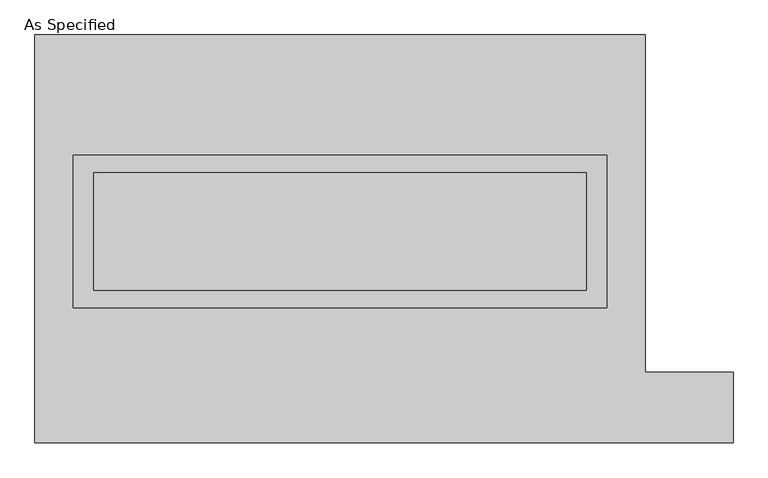
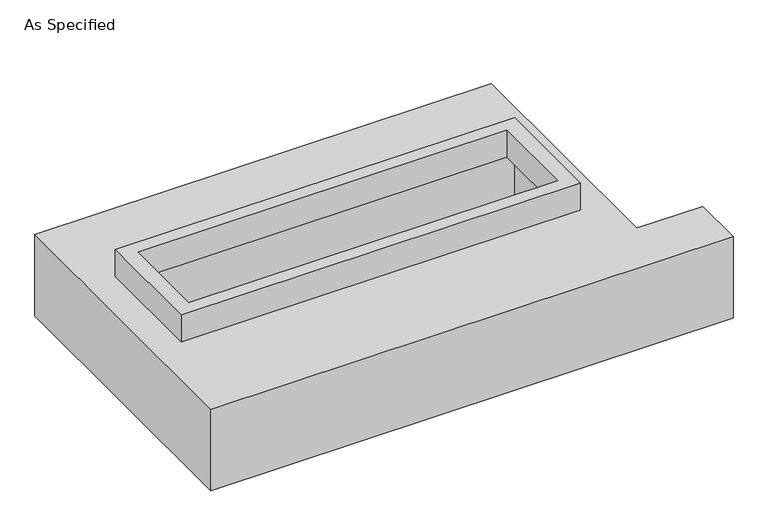
"""IFC4 building model written with IfcOpenShell, lengths in millimetres: proxy geometry, As Specified."""

from ifc_helpers import new_model, si_unit, frame, origin, place, context, project, spatial, polyline, outline, extrude, faceted_brep, source, transform, mapped, element, save


def as_specified_200abf7d(model_context):
    return source(origin(), model_context, "Body", "SolidModel", [
        extrude(outline(polyline([(1155.7, 361.95), (1155.7, -298.45), (-1155.7, -298.45), (-1155.7, 361.95), (1155.7, 361.95)]), holes=[polyline([(1066.8, 285.75), (-1066.8, 285.75), (-1066.8, -222.25), (1066.8, -222.25), (1066.8, 285.75)])]), frame((0.0, 0.0, -25.4), z_axis=(0.0, 0.0, 1.0), x_axis=(1.0, 0.0, 0.0)), (0.0, 0.0, 1.0), 165.1),
        faceted_brep([(-1320.8, 882.65, -523.875), (1320.8, 882.65, -523.875), (1320.8, -577.85, -523.875), (1701.8, -577.85, -523.875), (1701.8, -882.65, -523.875), (-1320.8, -882.65, -523.875), (1320.8, 882.65, -25.4), (-1320.8, 882.65, -25.4), (-1320.8, -882.65, -25.4), (1701.8, -882.65, -25.4), (1701.8, -577.85, -25.4), (1320.8, -577.85, -25.4), (-1155.7, -298.45, -25.4), (-1155.7, 361.95, -25.4), (1155.7, 361.95, -25.4), (1155.7, -298.45, -25.4), (1155.7, 361.95, -498.475), (-1155.7, 361.95, -498.475), (-1155.7, -298.45, -498.475), (1155.7, -298.45, -498.475)], [[[0, 1, 2, 3, 4, 5]], [[6, 7, 8, 9, 10, 11], [12, 13, 14, 15]], [[1, 0, 7, 6]], [[7, 0, 5, 8]], [[1, 6, 11, 2]], [[16, 17, 18, 19]], [[18, 17, 13, 12]], [[17, 16, 14, 13]], [[16, 19, 15, 14]], [[19, 18, 12, 15]], [[5, 4, 9, 8]], [[3, 2, 11, 10]], [[4, 3, 10, 9]]]),
    ])


if __name__ == "__main__":
    model = new_model("IFC4")
    model_context = context("Model", 3, world=origin())
    ifc_project = project(units=[si_unit("LENGTHUNIT", "METRE", prefix="MILLI")], contexts=[model_context])
    site = spatial("IfcSite", under=ifc_project)
    building = spatial("IfcBuilding", under=site)
    placement = place(None, origin())
    as_specified_shape = as_specified_200abf7d(model_context)
    element("IfcBuildingElementProxy", 1, Name="As Specified", ObjectType="As Specified", at=placement, inside=building, context=model_context, shape_type="MappedRepresentation", body=[
        mapped(as_specified_shape, transform((0.0, 0.0, 0.0), x_axis=(1.0, 0.0, 0.0), y_axis=(0.0, 1.0, 0.0), z_axis=(0.0, 0.0, 1.0))),
    ])
    save(model, "model.ifc")
